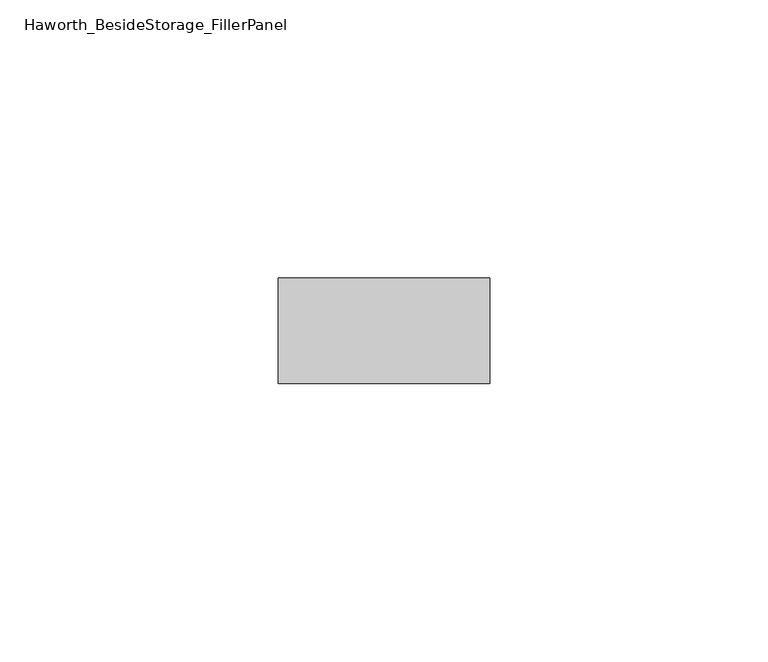
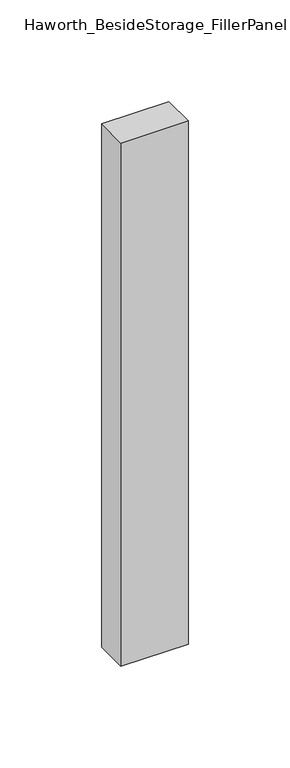
"""IFC4 building model written with IfcOpenShell, lengths in millimetres: furniture geometry, Haworth_BesideStorage_FillerPanel."""

from ifc_helpers import new_model, si_unit, frame, origin, place, context, project, spatial, polyline, outline, extrude, source, transform, mapped, element, save


def haworth_besidestorage_fillerpanel_ca82b546(model_context):
    return source(origin(), model_context, "Body", "SweptSolid", [
        extrude(outline(polyline([(320.675, 247.8645843), (320.675, 228.8145843), (282.575, 228.8145843), (282.575, 247.8645843), (320.675, 247.8645843)])), frame((0.0, 0.0, 44.45), z_axis=(0.0, 0.0, 1.0), x_axis=(1.0, 0.0, 0.0)), (0.0, 0.0, 1.0), 314.325),
    ])


if __name__ == "__main__":
    model = new_model("IFC4")
    model_context = context("Model", 3, world=origin())
    ifc_project = project(units=[si_unit("LENGTHUNIT", "METRE", prefix="MILLI")], contexts=[model_context])
    site = spatial("IfcSite", under=ifc_project)
    building = spatial("IfcBuilding", under=site)
    placement = place(None, origin())
    haworth_besidestorage_fillerpanel_shape = haworth_besidestorage_fillerpanel_ca82b546(model_context)
    element("IfcFurniture", 1, ObjectType="Haworth_BesideStorage_FillerPanel", at=placement, inside=building, context=model_context, shape_type="MappedRepresentation", body=[
        mapped(haworth_besidestorage_fillerpanel_shape, transform((0.0, 0.0, 0.0), x_axis=(1.0, 0.0, 0.0), y_axis=(0.0, 1.0, 0.0), z_axis=(0.0, 0.0, 1.0))),
    ])
    save(model, "model.ifc")
